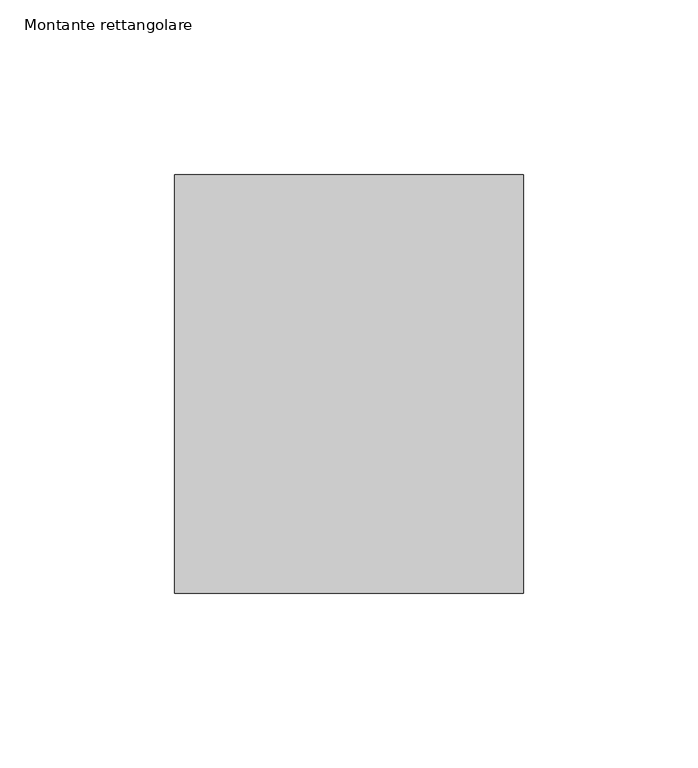
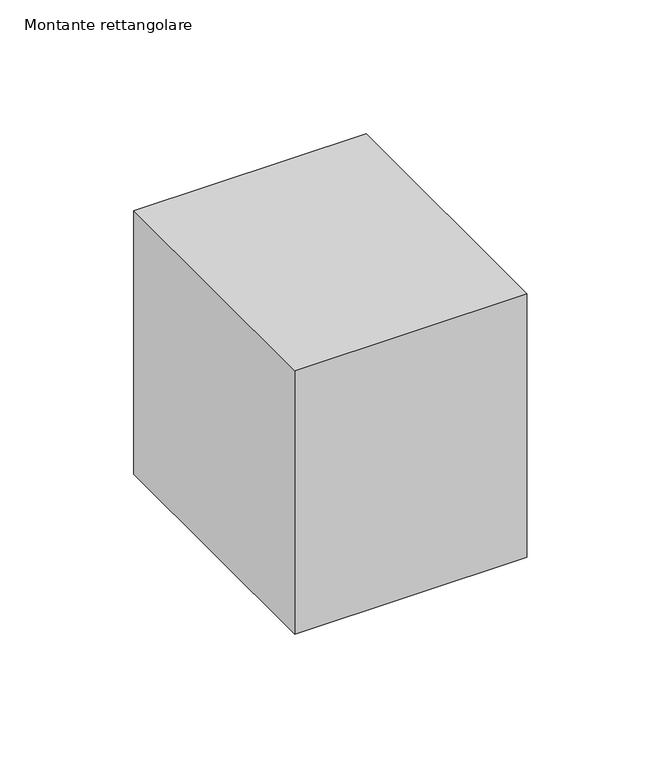
"""IFC4 building model written with IfcOpenShell, lengths in millimetres: member geometry, Montante rettangolare."""

from ifc_helpers import new_model, si_unit, frame, origin, place, context, project, spatial, polyline, outline, extrude, source, transform, mapped, element, save


def montante_rettangolare_bd0e5821(model_context):
    return source(origin(), model_context, "Body", "SweptSolid", [
        extrude(outline(polyline([(0.0, 60.0), (0.0, -60.0), (-100.0, -60.0), (-100.0, 60.0), (0.0, 60.0)])), frame((0.0, 0.0, -120.0), z_axis=(0.0, 0.0, 1.0), x_axis=(1.0, 0.0, 0.0)), (0.0, 0.0, 1.0), 120.0),
    ])


if __name__ == "__main__":
    model = new_model("IFC4")
    model_context = context("Model", 3, world=origin())
    ifc_project = project(units=[si_unit("LENGTHUNIT", "METRE", prefix="MILLI")], contexts=[model_context])
    site = spatial("IfcSite", under=ifc_project)
    building = spatial("IfcBuilding", under=site)
    placement = place(None, origin())
    montante_rettangolare_shape = montante_rettangolare_bd0e5821(model_context)
    element("IfcMember", 1, ObjectType="Montante rettangolare", at=placement, inside=building, context=model_context, shape_type="MappedRepresentation", body=[
        mapped(montante_rettangolare_shape, transform((0.0, 0.0, 0.0), x_axis=(1.0, 0.0, 0.0), y_axis=(0.0, 1.0, 0.0), z_axis=(0.0, 0.0, 1.0))),
    ])
    save(model, "model.ifc")
